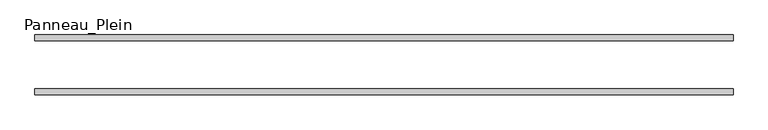
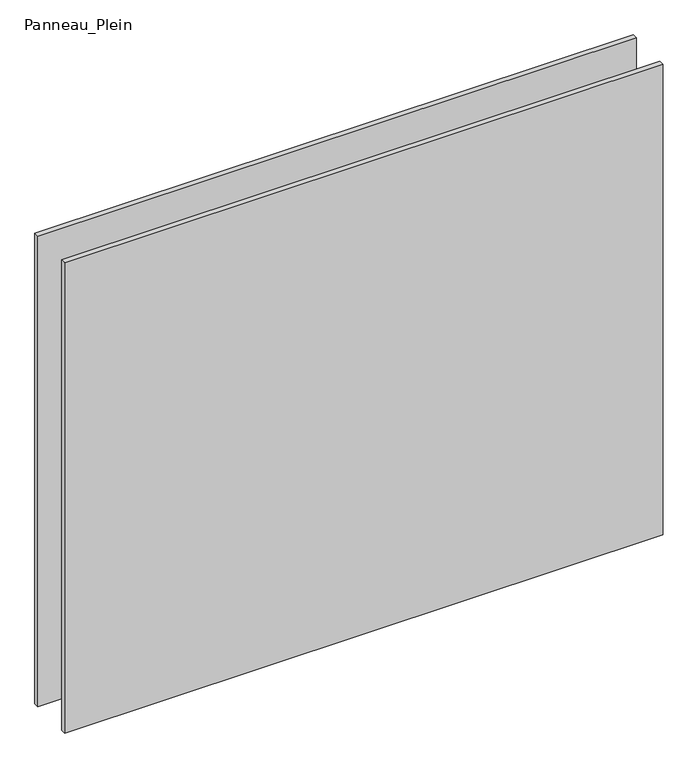
"""IFC4 building model written with IfcOpenShell, lengths in millimetres: plate geometry, Panneau_Plein."""

from ifc_helpers import new_model, si_unit, origin, origin_with_axes, place, context, project, spatial, polyline, outline, extrude, source, transform, mapped, element, save


def panneau_plein_829985fc(model_context):
    return source(origin(), model_context, "Body", "SweptSolid", [
        extrude(outline(polyline([(583.9500002, 50.0), (583.9500002, 40.0), (-583.9500002, 40.0), (-583.9500002, 50.0), (583.9500002, 50.0)])), origin_with_axes(), (0.0, 0.0, 1.0), 969.867499),
        extrude(outline(polyline([(583.9500002, -40.0), (583.9500002, -50.0), (-583.9500002, -50.0), (-583.9500002, -40.0), (583.9500002, -40.0)])), origin_with_axes(), (0.0, 0.0, 1.0), 969.867499),
    ])


if __name__ == "__main__":
    model = new_model("IFC4")
    model_context = context("Model", 3, world=origin())
    ifc_project = project(units=[si_unit("LENGTHUNIT", "METRE", prefix="MILLI")], contexts=[model_context])
    site = spatial("IfcSite", under=ifc_project)
    building = spatial("IfcBuilding", under=site)
    placement = place(None, origin())
    panneau_plein_shape = panneau_plein_829985fc(model_context)
    element("IfcPlate", 1, ObjectType="Panneau_Plein", at=placement, inside=building, context=model_context, shape_type="MappedRepresentation", body=[
        mapped(panneau_plein_shape, transform((0.0, 0.0, 0.0), x_axis=(1.0, 0.0, 0.0), y_axis=(0.0, 1.0, 0.0), z_axis=(0.0, 0.0, 1.0))),
    ])
    save(model, "model.ifc")
